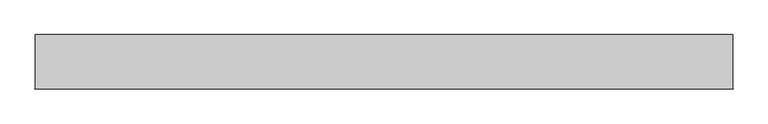
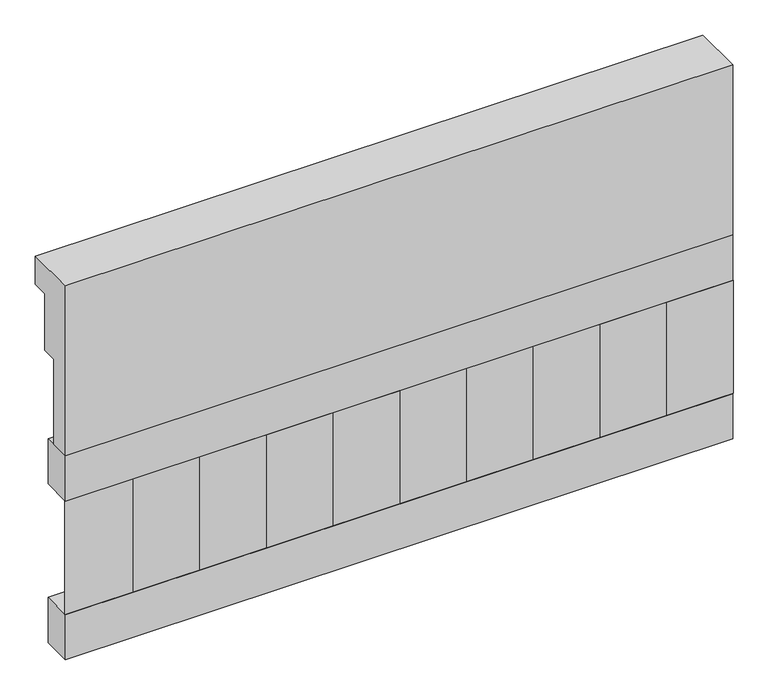
"""IFC4 building model written with IfcOpenShell, lengths in millimetres: railing geometry."""

import ifcopenshell
import ifcopenshell.guid

model = None  # the IFC model being written
_history = None  # IfcOwnerHistory: only IFC2X3 demands one
_inside = {}  # id of a spatial element -> (the spatial element, [elements in it])
_under = {}  # id of a project, library or spatial element -> (it, [spatial elements below it])
_declared = {}  # id of a project -> (the project, [libraries it declares])
_typed = {}  # id of a type object -> (the type object, [elements of that type])
_made_of = {}  # id of a material, layer set ... -> (it, [elements and type objects made of it])


def new_model(schema):
    """Start an empty IFC model of exactly this schema.

    Asked for "IFC4X3", IfcOpenShell would pick the latest addendum, in which some entities
    have other attributes; the version numbers below select the first issue.
    IFC2X3 requires an IfcOwnerHistory on every rooted entity: one is made here for all.
    """
    global model, _history
    if schema == "IFC4X3":
        model = ifcopenshell.file(schema_version=(4, 3, 0, 0))
    else:
        model = ifcopenshell.file(schema=schema)
    _inside.clear()
    _under.clear()
    _declared.clear()
    _typed.clear()
    _made_of.clear()
    _history = None
    if model.schema == "IFC2X3":
        org = make("IfcOrganization", Name="unknown")
        user = make(
            "IfcPersonAndOrganization",
            ThePerson=make("IfcPerson", FamilyName="unknown"),
            TheOrganization=org,
        )
        app = make(
            "IfcApplication",
            ApplicationDeveloper=org,
            Version="unknown",
            ApplicationFullName="unknown",
            ApplicationIdentifier="unknown",
        )
        _history = make(
            "IfcOwnerHistory",
            OwningUser=user,
            OwningApplication=app,
            ChangeAction="ADDED",
            CreationDate=0,
        )
    return model


def make(cls, **values):
    """One entity of the class cls with the attributes given. An attribute that is None is left unset."""
    return model.create_entity(
        cls, **{name: value for name, value in values.items() if value is not None}
    )


def rooted(cls, **values):
    """An entity with a GlobalId (a new one), such as an element, a storey or a relation."""
    return make(cls, GlobalId=ifcopenshell.guid.new(), OwnerHistory=_history, **values)


def si_unit(unit_type, name, prefix=None):
    """IfcSIUnit, for example si_unit("LENGTHUNIT", "METRE", prefix="MILLI")."""
    return make("IfcSIUnit", UnitType=unit_type, Prefix=prefix, Name=name)


def assignment(units):
    """IfcUnitAssignment: the units of a project."""
    return None if units is None else make("IfcUnitAssignment", Units=units)


def point(xyz):
    """IfcCartesianPoint."""
    return None if xyz is None else make("IfcCartesianPoint", Coordinates=xyz)


def direction(xyz):
    """IfcDirection."""
    return None if xyz is None else make("IfcDirection", DirectionRatios=xyz)


def frame(location, z_axis=None, x_axis=None):
    """IfcAxis2Placement3D, a coordinate frame: its origin and axes. An axis left out is left unset."""
    return make(
        "IfcAxis2Placement3D",
        Location=point(location),
        Axis=direction(z_axis),
        RefDirection=direction(x_axis),
    )


def origin():
    """The frame at (0, 0, 0) with its axes left unset."""
    return frame((0.0, 0.0, 0.0))


def place(relative_to, where):
    """IfcLocalPlacement: puts the frame where relative to a parent placement (None: the world)."""
    return make(
        "IfcLocalPlacement", PlacementRelTo=relative_to, RelativePlacement=where
    )


def context(
    kind, dimensions, precision=None, world=None, true_north=None, identifier=None
):
    """IfcGeometricRepresentationContext, for example the 3D "Model" context."""
    return make(
        "IfcGeometricRepresentationContext",
        ContextIdentifier=identifier,
        ContextType=kind,
        CoordinateSpaceDimension=dimensions,
        Precision=precision,
        WorldCoordinateSystem=world,
        TrueNorth=true_north,
    )


def project(units=None, contexts=None):
    """IfcProject with its units and contexts."""
    return rooted(
        "IfcProject",
        Name="project",
        RepresentationContexts=contexts,
        UnitsInContext=assignment(units),
    )


def spatial(cls, under=None, at=None, **own):
    """A site, building, storey or space (cls), placed at a placement, below another one or the project."""
    s = rooted(cls, ObjectPlacement=at, **own)
    if under is not None:
        _under.setdefault(under.id(), (under, []))[1].append(s)
    return s


def polyline(points):
    """IfcPolyline through the points."""
    return make("IfcPolyline", Points=[point(p) for p in points])


def outline(outer, holes=None, kind="AREA"):
    """IfcArbitraryClosedProfileDef: a profile drawn as a closed curve; with holes, ...WithVoids."""
    if holes is None:
        return make("IfcArbitraryClosedProfileDef", ProfileType=kind, OuterCurve=outer)
    return make(
        "IfcArbitraryProfileDefWithVoids",
        ProfileType=kind,
        OuterCurve=outer,
        InnerCurves=holes,
    )


def extrude(swept, where, along, depth):
    """IfcExtrudedAreaSolid: the profile swept, set in the frame where, extruded along a direction by depth."""
    return make(
        "IfcExtrudedAreaSolid",
        SweptArea=swept,
        Position=where,
        ExtrudedDirection=direction(along),
        Depth=depth,
    )


def shape(context_of_items, identifier, shape_type, items):
    """IfcShapeRepresentation: the items that make up one representation, for example the "Body"."""
    return make(
        "IfcShapeRepresentation",
        ContextOfItems=context_of_items,
        RepresentationIdentifier=identifier,
        RepresentationType=shape_type,
        Items=items,
    )


def source(mapping_origin, context_of_items, identifier, shape_type, items):
    """IfcRepresentationMap: a shape defined once, which mapped items show again and again."""
    return make(
        "IfcRepresentationMap",
        MappingOrigin=mapping_origin,
        MappedRepresentation=shape(context_of_items, identifier, shape_type, items),
    )


def transform(
    local_origin,
    x_axis=None,
    y_axis=None,
    z_axis=None,
    scale=None,
    scale2=None,
    scale3=None,
    uniform=True,
):
    """IfcCartesianTransformationOperator3D, or its non-uniform kind. x_axis, y_axis, z_axis: its Axis1, 2, 3."""
    if uniform:
        return make(
            "IfcCartesianTransformationOperator3D",
            Axis1=direction(x_axis),
            Axis2=direction(y_axis),
            LocalOrigin=point(local_origin),
            Scale=scale,
            Axis3=direction(z_axis),
        )
    return make(
        "IfcCartesianTransformationOperator3DnonUniform",
        Axis1=direction(x_axis),
        Axis2=direction(y_axis),
        LocalOrigin=point(local_origin),
        Scale=scale,
        Axis3=direction(z_axis),
        Scale2=scale2,
        Scale3=scale3,
    )


def mapped(mapping_source, mapping_target):
    """IfcMappedItem: shows the shape of a source again, moved by a transform."""
    return make(
        "IfcMappedItem", MappingSource=mapping_source, MappingTarget=mapping_target
    )


def made_of(thing, what):
    """Note that an element or type object is made of a material, layer set ...; save() writes the relation."""
    if what is not None:
        _made_of.setdefault(what.id(), (what, []))[1].append(thing)
    return thing


def element(
    cls,
    number,
    at=None,
    inside=None,
    cuts=None,
    type_object=None,
    material=None,
    context=None,
    identifier="Body",
    shape_type=None,
    held_by="IfcProductDefinitionShape",
    body=None,
    shapes=None,
    **own,
):
    """One element of the class cls, such as IfcWall. Its Tag is "e" and its number.

    at: its placement. inside: the storey or other place that contains it. cuts: it is an
    opening in that element (IfcRelVoidsElement). A single representation is given by context,
    identifier, shape_type and body (its items); several are given by shapes. held_by: the class
    of the entity that holds the representations. save() writes the other relations.
    """
    e = rooted(cls, Tag="e%d" % number, ObjectPlacement=at, **own)
    if body is not None:
        shapes = [shape(context, identifier, shape_type, body)]
    if shapes is not None:
        e.Representation = make(held_by, Representations=shapes)
    if inside is not None:
        _inside.setdefault(inside.id(), (inside, []))[1].append(e)
    if cuts is not None:
        rooted(
            "IfcRelVoidsElement", RelatingBuildingElement=cuts, RelatedOpeningElement=e
        )
    if type_object is not None:
        _typed.setdefault(type_object.id(), (type_object, []))[1].append(e)
    return made_of(e, material)


def aggregate(whole, parts):
    """IfcRelAggregates: a whole, such as a stair, and the parts it consists of."""
    return rooted("IfcRelAggregates", RelatingObject=whole, RelatedObjects=parts)


def save(model, path):
    """Write the relations noted so far, then the file.

    IfcRelAggregates (storeys below a building ...), IfcRelContainedInSpatialStructure (elements
    in a storey), IfcRelDefinesByType, IfcRelAssociatesMaterial and IfcRelDeclares: one each for
    every whole, place, type object, material and project.
    """
    for whole, parts in _under.values():
        aggregate(whole, parts)
    for where, things in _inside.values():
        rooted(
            "IfcRelContainedInSpatialStructure",
            RelatedElements=things,
            RelatingStructure=where,
        )
    for kind, things in _typed.values():
        rooted("IfcRelDefinesByType", RelatedObjects=things, RelatingType=kind)
    for what, things in _made_of.values():
        rooted("IfcRelAssociatesMaterial", RelatedObjects=things, RelatingMaterial=what)
    for by, libraries in _declared.values():
        rooted("IfcRelDeclares", RelatingContext=by, RelatedDefinitions=libraries)
    model.write(path)


def railing_0d3c42a1(model_context):
    return source(origin(), model_context, "Body", "SweptSolid", [
        extrude(outline(polyline([(903.1079487, 15200.0), (1033.1079487, 15200.0), (1033.1079487, 15125.0), (993.1079487, 15125.0), (993.1079487, 14975.0), (953.1079487, 14975.0), (953.1079487, 14750.0), (903.1079487, 14750.0), (903.1079487, 15200.0)])), frame((-12439.9887159, 0.0, 0.0), z_axis=(1.0, 0.0, 0.0), x_axis=(0.0, 1.0, 0.0)), (0.0, 0.0, 1.0), 1670.0),
        extrude(outline(polyline([(-10769.9887159, 978.1079487), (-10769.9887159, 903.1079487), (-12439.9887159, 903.1079487), (-12439.9887159, 978.1079487), (-10769.9887159, 978.1079487)])), frame((0.0, 0.0, 14630.0), z_axis=(0.0, 0.0, 1.0), x_axis=(1.0, 0.0, 0.0)), (0.0, 0.0, 1.0), 120.0),
        extrude(outline(polyline([(-10769.9887159, 978.1079487), (-10769.9887159, 903.1079487), (-12439.9887159, 903.1079487), (-12439.9887159, 978.1079487), (-10769.9887159, 978.1079487)])), frame((0.0, 0.0, 14210.0), z_axis=(0.0, 0.0, 1.0), x_axis=(1.0, 0.0, 0.0)), (0.0, 0.0, 1.0), 120.0),
        extrude(outline(polyline([(-12356.4887159, 987.9607624), (-12271.6359022, 903.1079487), (-12441.3415296, 903.1079487), (-12356.4887159, 987.9607624)])), frame((0.0, 0.0, 14330.0), z_axis=(0.0, 0.0, 1.0), x_axis=(1.0, 0.0, 0.0)), (0.0, 0.0, 1.0), 300.0),
        extrude(outline(polyline([(-12189.4887159, 987.9607624), (-12104.6359022, 903.1079487), (-12274.3415296, 903.1079487), (-12189.4887159, 987.9607624)])), frame((0.0, 0.0, 14330.0), z_axis=(0.0, 0.0, 1.0), x_axis=(1.0, 0.0, 0.0)), (0.0, 0.0, 1.0), 300.0),
        extrude(outline(polyline([(-12022.4887159, 987.9607624), (-11937.6359022, 903.1079487), (-12107.3415296, 903.1079487), (-12022.4887159, 987.9607624)])), frame((0.0, 0.0, 14330.0), z_axis=(0.0, 0.0, 1.0), x_axis=(1.0, 0.0, 0.0)), (0.0, 0.0, 1.0), 300.0),
        extrude(outline(polyline([(-11855.4887159, 987.9607624), (-11770.6359022, 903.1079487), (-11940.3415296, 903.1079487), (-11855.4887159, 987.9607624)])), frame((0.0, 0.0, 14330.0), z_axis=(0.0, 0.0, 1.0), x_axis=(1.0, 0.0, 0.0)), (0.0, 0.0, 1.0), 300.0),
        extrude(outline(polyline([(-11688.4887159, 987.9607624), (-11603.6359022, 903.1079487), (-11773.3415296, 903.1079487), (-11688.4887159, 987.9607624)])), frame((0.0, 0.0, 14330.0), z_axis=(0.0, 0.0, 1.0), x_axis=(1.0, 0.0, 0.0)), (0.0, 0.0, 1.0), 300.0),
        extrude(outline(polyline([(-11521.4887159, 987.9607624), (-11436.6359022, 903.1079487), (-11606.3415296, 903.1079487), (-11521.4887159, 987.9607624)])), frame((0.0, 0.0, 14330.0), z_axis=(0.0, 0.0, 1.0), x_axis=(1.0, 0.0, 0.0)), (0.0, 0.0, 1.0), 300.0),
        extrude(outline(polyline([(-11354.4887159, 987.9607624), (-11269.6359022, 903.1079487), (-11439.3415296, 903.1079487), (-11354.4887159, 987.9607624)])), frame((0.0, 0.0, 14330.0), z_axis=(0.0, 0.0, 1.0), x_axis=(1.0, 0.0, 0.0)), (0.0, 0.0, 1.0), 300.0),
        extrude(outline(polyline([(-11187.4887159, 987.9607624), (-11102.6359022, 903.1079487), (-11272.3415296, 903.1079487), (-11187.4887159, 987.9607624)])), frame((0.0, 0.0, 14330.0), z_axis=(0.0, 0.0, 1.0), x_axis=(1.0, 0.0, 0.0)), (0.0, 0.0, 1.0), 300.0),
        extrude(outline(polyline([(-11020.4887159, 987.9607624), (-10935.6359022, 903.1079487), (-11105.3415296, 903.1079487), (-11020.4887159, 987.9607624)])), frame((0.0, 0.0, 14330.0), z_axis=(0.0, 0.0, 1.0), x_axis=(1.0, 0.0, 0.0)), (0.0, 0.0, 1.0), 300.0),
        extrude(outline(polyline([(-10853.4887159, 987.9607624), (-10768.6359022, 903.1079487), (-10938.3415296, 903.1079487), (-10853.4887159, 987.9607624)])), frame((0.0, 0.0, 14330.0), z_axis=(0.0, 0.0, 1.0), x_axis=(1.0, 0.0, 0.0)), (0.0, 0.0, 1.0), 300.0),
    ])


if __name__ == "__main__":
    model = new_model("IFC4")
    model_context = context("Model", 3, world=origin())
    ifc_project = project(units=[si_unit("LENGTHUNIT", "METRE", prefix="MILLI")], contexts=[model_context])
    site = spatial("IfcSite", under=ifc_project)
    building = spatial("IfcBuilding", under=site)
    placement = place(None, origin())
    railing_shape = railing_0d3c42a1(model_context)
    element("IfcRailing", 1, at=placement, inside=building, context=model_context, shape_type="MappedRepresentation", body=[
        mapped(railing_shape, transform((0.0, 0.0, 0.0), x_axis=(1.0, 0.0, 0.0), y_axis=(0.0, 1.0, 0.0), z_axis=(0.0, 0.0, 1.0))),
    ])
    save(model, "model.ifc")
